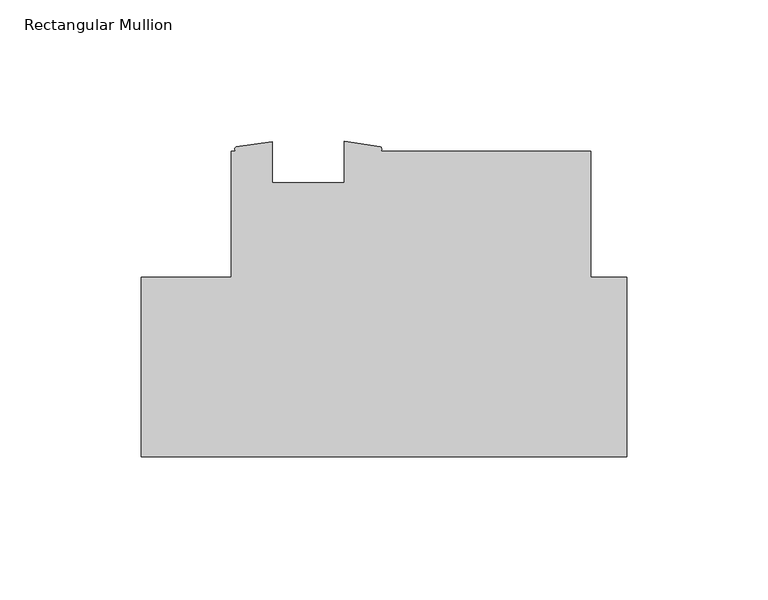
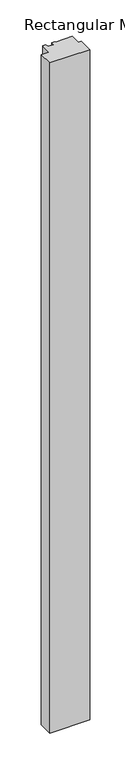
"""IFC4 building model written with IfcOpenShell, lengths in millimetres: member geometry, Rectangular Mullion."""

from ifc_helpers import new_model, si_unit, point, frame, frame_2d, origin, place, context, project, spatial, polyline, circle_curve, trimmed, segment, composite_curve, outline, extrude, source, transform, mapped, element, save


def rectangular_mullion_6c5e833d(model_context):
    return source(origin(), model_context, "Body", "SweptSolid", [
        extrude(outline(composite_curve([segment(polyline([(-12.7010309, 63.5254), (0.0, 63.5254), (0.0, 0.0), (-171.4499999, 0.0), (-171.4499999, 63.4999996), (-139.7010309, 63.4999996), (-139.7010309, 107.9499997), (-137.9687934, 107.9499997)]), True, "CONTINUOUS"), segment(trimmed(circle_curve(frame_2d((-137.5404751, 108.7429478)), 0.9012343), [point((-137.9687934, 107.9499997))], [point((-137.9687934, 109.5358959))], False, "CARTESIAN"), True, "CONTINUOUS"), segment(polyline([(-137.9687934, 109.5358959), (-125.1975059, 111.3459997), (-125.1975059, 96.8374997), (-99.7975059, 96.8374997), (-99.7975059, 111.4695214), (-87.0244531, 109.6134041)]), True, "CONTINUOUS"), segment(trimmed(circle_curve(frame_2d((-87.5589046, 108.7817019)), 0.9886187), [point((-87.0244531, 109.6134041))], [point((-87.0244531, 107.9499997))], False, "CARTESIAN"), True, "CONTINUOUS"), segment(polyline([(-87.0244531, 107.9499997), (-12.7010309, 107.9499997), (-12.7010309, 63.5254)]), True, "CONTINUOUS")], self_intersect=False)), frame((0.0, 0.0, -3048.0), z_axis=(0.0, 0.0, 1.0), x_axis=(1.0, 0.0, 0.0)), (0.0, 0.0, 1.0), 3048.0),
    ])


if __name__ == "__main__":
    model = new_model("IFC4")
    model_context = context("Model", 3, world=origin())
    ifc_project = project(units=[si_unit("LENGTHUNIT", "METRE", prefix="MILLI")], contexts=[model_context])
    site = spatial("IfcSite", under=ifc_project)
    building = spatial("IfcBuilding", under=site)
    placement = place(None, origin())
    rectangular_mullion_shape = rectangular_mullion_6c5e833d(model_context)
    element("IfcMember", 1, ObjectType="Rectangular Mullion", at=placement, inside=building, context=model_context, shape_type="MappedRepresentation", body=[
        mapped(rectangular_mullion_shape, transform((0.0, 0.0, 0.0), x_axis=(1.0, 0.0, 0.0), y_axis=(0.0, 1.0, 0.0), z_axis=(0.0, 0.0, 1.0))),
    ])
    save(model, "model.ifc")
